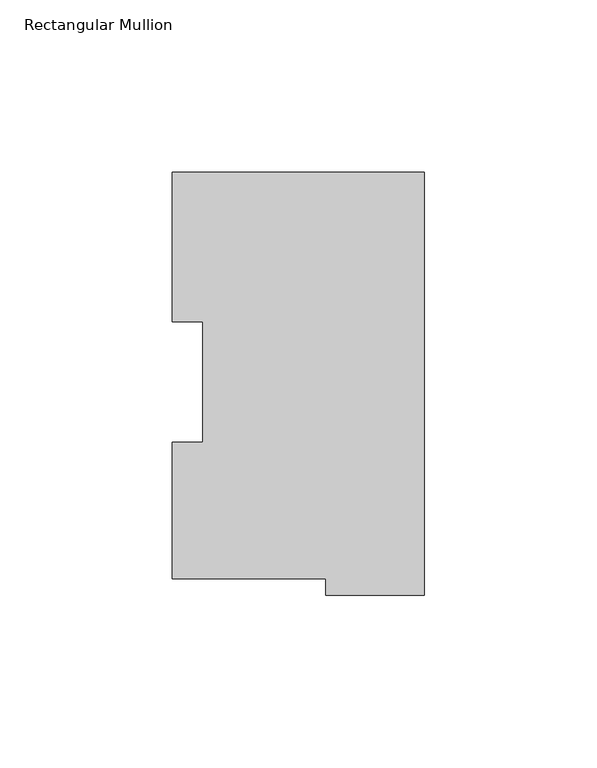
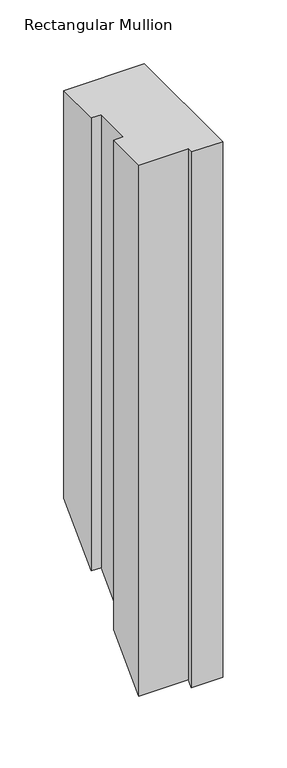
"""IFC4 building model written with IfcOpenShell, lengths in millimetres: member geometry, Rectangular Mullion."""

from ifc_helpers import new_model, si_unit, origin, place, context, project, spatial, faceted_brep, source, transform, mapped, element, save


def rectangular_mullion_0e6a87a4(model_context):
    return source(origin(), model_context, "Body", "Brep", [
        faceted_brep([(0.0, 117.827425, 0.0), (-73.025, 117.827425, 0.0), (-73.025, 74.596625, 0.0), (-64.2874, 74.596625, 0.0), (-64.2874, 39.646225, 0.0), (-73.025, 39.646225, 0.0), (-73.025, -0.028575, 0.0), (-28.575, -0.028575, 0.0), (-28.575, -4.778375, 0.0), (0.0, -4.778375, 0.0), (0.0, 117.827425, -390.172575), (-73.025, 117.827425, -390.172575), (-73.025, 74.596625, -433.403375), (-64.2874, 74.596625, -433.403375), (-64.2874, 39.646225, -468.353775), (-73.025, 39.646225, -468.353775), (-73.025, -0.028575, -508.028575), (-28.575, -0.028575, -508.028575), (-28.575, -4.778375, -512.778375), (0.0, -4.778375, -512.778375)], [[[0, 1, 2, 3, 4, 5, 6, 7, 8, 9]], [[1, 0, 10, 11]], [[2, 1, 11, 12]], [[3, 2, 12, 13]], [[4, 3, 13, 14]], [[5, 4, 14, 15]], [[6, 5, 15, 16]], [[7, 6, 16, 17]], [[8, 7, 17, 18]], [[9, 8, 18, 19]], [[0, 9, 19, 10]], [[10, 19, 18, 17, 16, 15, 14, 13, 12, 11]]]),
    ])


if __name__ == "__main__":
    model = new_model("IFC4")
    model_context = context("Model", 3, world=origin())
    ifc_project = project(units=[si_unit("LENGTHUNIT", "METRE", prefix="MILLI")], contexts=[model_context])
    site = spatial("IfcSite", under=ifc_project)
    building = spatial("IfcBuilding", under=site)
    placement = place(None, origin())
    rectangular_mullion_shape = rectangular_mullion_0e6a87a4(model_context)
    element("IfcMember", 1, ObjectType="Rectangular Mullion", at=placement, inside=building, context=model_context, shape_type="MappedRepresentation", body=[
        mapped(rectangular_mullion_shape, transform((0.0, 0.0, 0.0), x_axis=(1.0, 0.0, 0.0), y_axis=(0.0, 1.0, 0.0), z_axis=(0.0, 0.0, 1.0))),
    ])
    save(model, "model.ifc")
